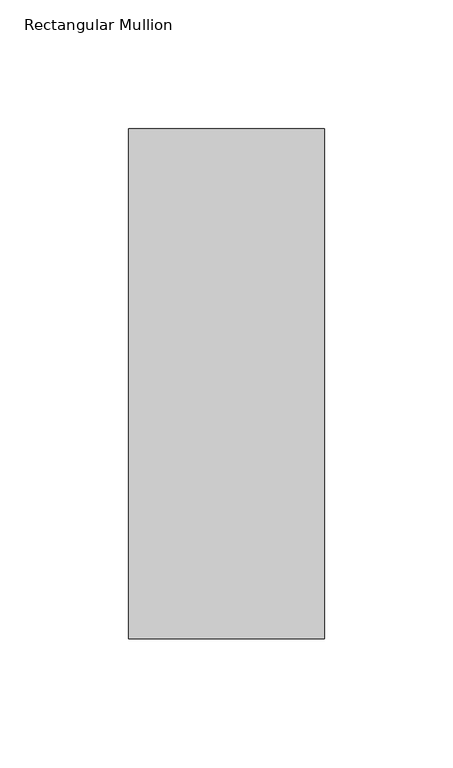
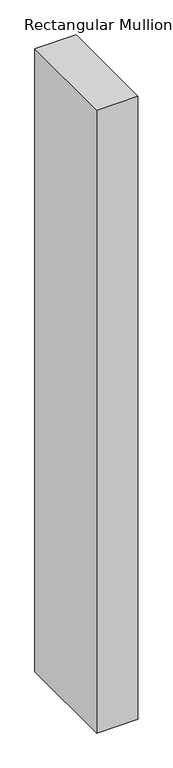
"""IFC4 building model written with IfcOpenShell, lengths in millimetres: member geometry, Rectangular Mullion."""

from ifc_helpers import new_model, si_unit, frame, origin, place, context, project, spatial, polyline, outline, extrude, source, transform, mapped, element, save


def rectangular_mullion_e96d4c4f(model_context):
    return source(origin(), model_context, "Body", "SweptSolid", [
        extrude(outline(polyline([(38.1, -156.36875), (-38.1, -156.36875), (-38.1, 42.06875), (38.1, 42.06875), (38.1, -156.36875)])), frame((0.0, 0.0, -1219.2), z_axis=(0.0, 0.0, 1.0), x_axis=(1.0, 0.0, 0.0)), (0.0, 0.0, 1.0), 1219.2),
    ])


if __name__ == "__main__":
    model = new_model("IFC4")
    model_context = context("Model", 3, world=origin())
    ifc_project = project(units=[si_unit("LENGTHUNIT", "METRE", prefix="MILLI")], contexts=[model_context])
    site = spatial("IfcSite", under=ifc_project)
    building = spatial("IfcBuilding", under=site)
    placement = place(None, origin())
    rectangular_mullion_shape = rectangular_mullion_e96d4c4f(model_context)
    element("IfcMember", 1, ObjectType="Rectangular Mullion", at=placement, inside=building, context=model_context, shape_type="MappedRepresentation", body=[
        mapped(rectangular_mullion_shape, transform((0.0, 0.0, 0.0), x_axis=(1.0, 0.0, 0.0), y_axis=(0.0, 1.0, 0.0), z_axis=(0.0, 0.0, 1.0))),
    ])
    save(model, "model.ifc")
